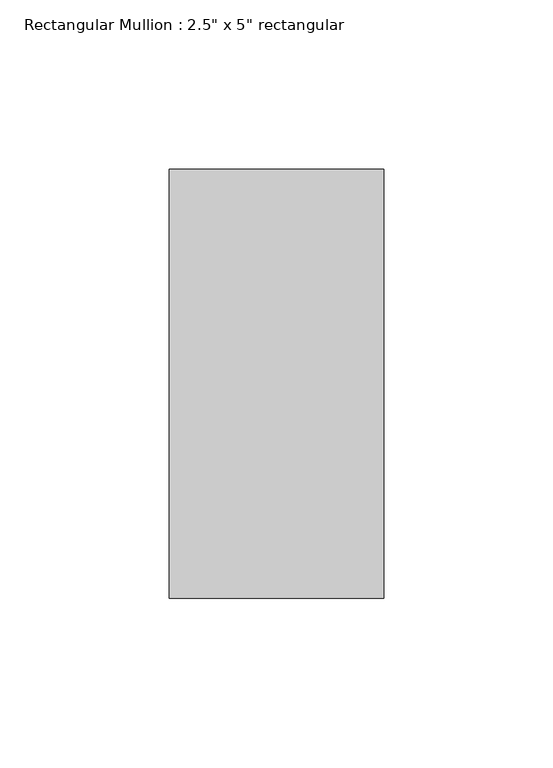
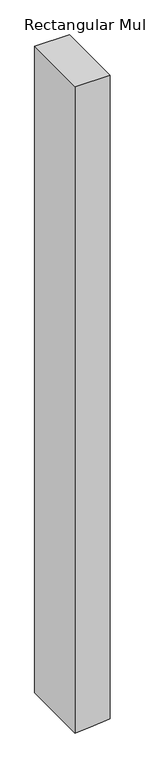
"""IFC4 building model written with IfcOpenShell, lengths in millimetres: member geometry."""

from ifc_helpers import new_model, si_unit, frame, origin, place, context, project, spatial, polyline, outline, extrude, source, transform, mapped, element, save


def member_444f2fc7(model_context):
    return source(origin(), model_context, "Body", "SweptSolid", [
        extrude(outline(polyline([(0.0, 31.75), (0.0, -31.75), (-1240.039885, -31.75), (-1237.9264369, -5.001701), (-1235.0225956, 31.75), (0.0, 31.75)])), frame((0.0, -63.5, 0.0), z_axis=(0.0, 1.0, 0.0), x_axis=(0.0, 0.0, 1.0)), (0.0, 0.0, 1.0), 127.0),
    ])


if __name__ == "__main__":
    model = new_model("IFC4")
    model_context = context("Model", 3, world=origin())
    ifc_project = project(units=[si_unit("LENGTHUNIT", "METRE", prefix="MILLI")], contexts=[model_context])
    site = spatial("IfcSite", under=ifc_project)
    building = spatial("IfcBuilding", under=site)
    placement = place(None, origin())
    member_shape = member_444f2fc7(model_context)
    element("IfcMember", 1, ObjectType="Rectangular Mullion : 2.5\" x 5\" rectangular", at=placement, inside=building, context=model_context, shape_type="MappedRepresentation", body=[
        mapped(member_shape, transform((0.0, 0.0, 0.0), x_axis=(1.0, 0.0, 0.0), y_axis=(0.0, 1.0, 0.0), z_axis=(0.0, 0.0, 1.0))),
    ])
    save(model, "model.ifc")
